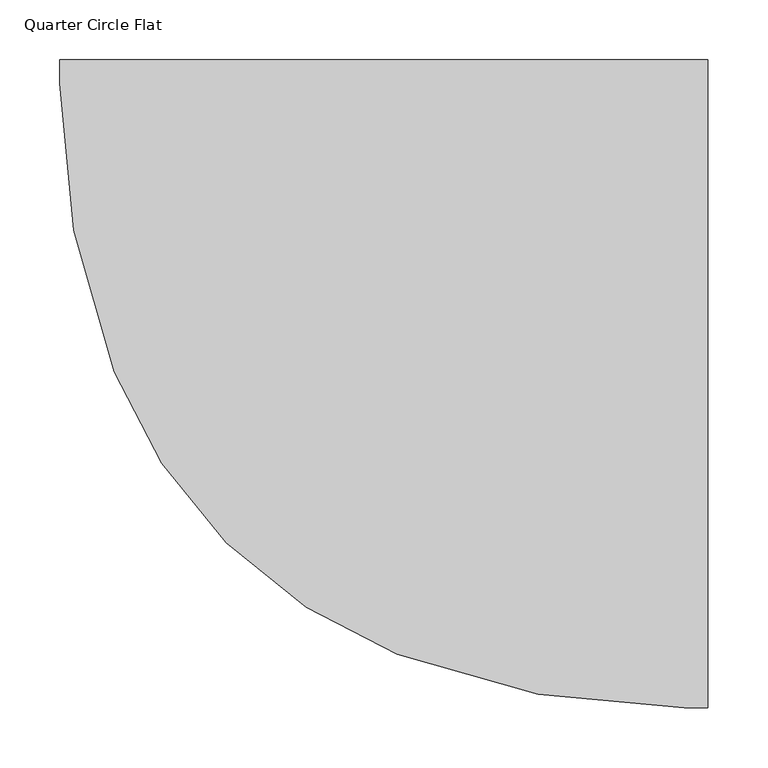
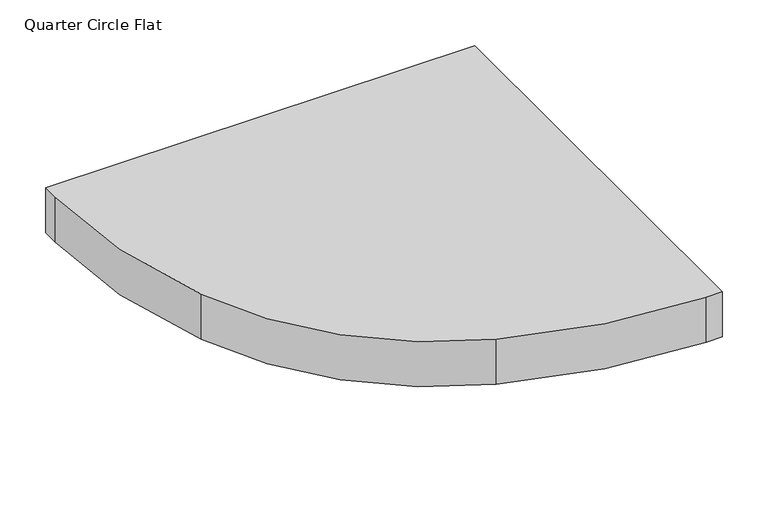
"""IFC4 building model written with IfcOpenShell, lengths in millimetres: furniture geometry, Quarter Circle Flat."""

from ifc_helpers import new_model, si_unit, point, frame, frame_2d, origin, place, context, project, spatial, polyline, circle_curve, trimmed, segment, composite_curve, outline, extrude, source, transform, mapped, element, save


def quarter_circle_flat_ca140e7b(model_context):
    return source(origin(), model_context, "Body", "SweptSolid", [
        extrude(outline(composite_curve([segment(polyline([(-270.0, 270.0), (270.0, 270.0), (270.0, -270.0), (250.1129966, -270.0)]), True, "CONTINUOUS"), segment(trimmed(circle_curve(frame_2d((250.1129966, 389.9652032)), 659.9652032), [point((250.1129966, -270.0))], [point((11.197914, -225.2369203))], False, "CARTESIAN"), True, "CONTINUOUS"), segment(trimmed(circle_curve(frame_2d((161.1742529, 160.9495071)), 414.2859628), [point((11.197914, -225.2369203))], [point((-224.6331882, 10.0009155))], False, "CARTESIAN"), True, "CONTINUOUS"), segment(trimmed(circle_curve(frame_2d((389.9652032, 250.4648146)), 659.9652032), [point((-224.6331882, 10.0009155))], [point((-270.0, 250.4648146))], False, "CARTESIAN"), True, "CONTINUOUS"), segment(polyline([(-270.0, 250.4648146), (-270.0, 270.0)]), True, "CONTINUOUS")], self_intersect=False)), frame((0.0, 0.0, 2100.0), z_axis=(0.0, 0.0, 1.0), x_axis=(1.0, 0.0, 0.0)), (0.0, 0.0, 1.0), 60.0),
    ])


if __name__ == "__main__":
    model = new_model("IFC4")
    model_context = context("Model", 3, world=origin())
    ifc_project = project(units=[si_unit("LENGTHUNIT", "METRE", prefix="MILLI")], contexts=[model_context])
    site = spatial("IfcSite", under=ifc_project)
    building = spatial("IfcBuilding", under=site)
    placement = place(None, origin())
    quarter_circle_flat_shape = quarter_circle_flat_ca140e7b(model_context)
    element("IfcFurniture", 1, ObjectType="Quarter Circle Flat", at=placement, inside=building, context=model_context, shape_type="MappedRepresentation", body=[
        mapped(quarter_circle_flat_shape, transform((0.0, 0.0, 0.0), x_axis=(1.0, 0.0, 0.0), y_axis=(0.0, 1.0, 0.0), z_axis=(0.0, 0.0, 1.0))),
    ])
    save(model, "model.ifc")
